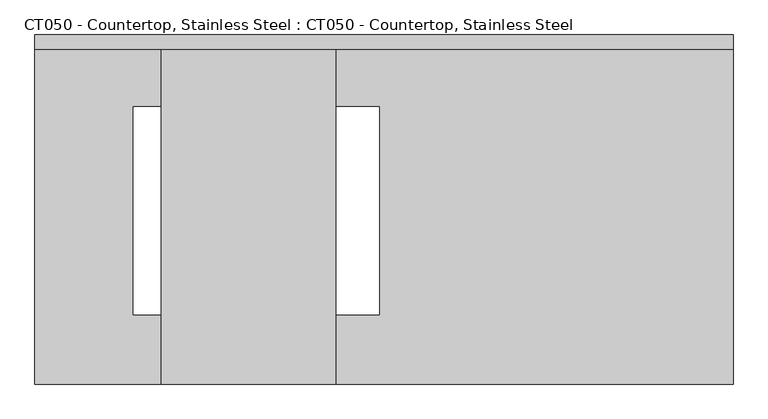
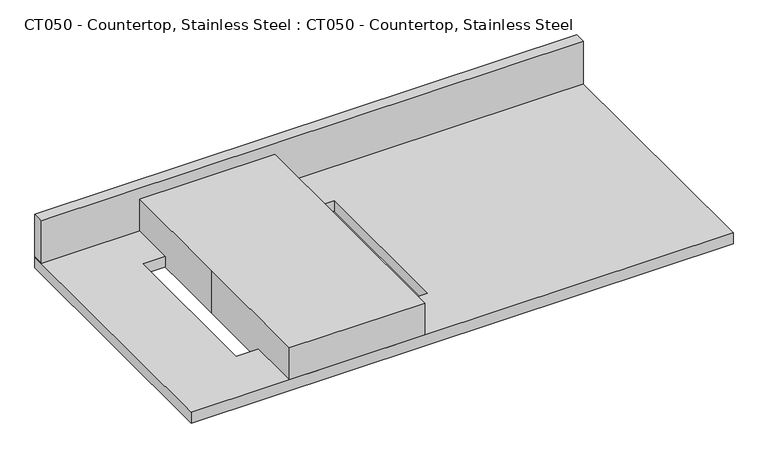
"""IFC4 building model written with IfcOpenShell, lengths in millimetres: proxy geometry, CT050 - Countertop, Stainless Steel : CT050 - Countertop, Stainless Steel."""

from ifc_helpers import new_model, si_unit, frame, origin, origin_with_axes, place, context, project, spatial, polyline, outline, extrude, source, transform, mapped, element, save


def ct050_countertop_stainless_steel_ct050_countertop_stainless_5a463ab0(model_context):
    return source(origin(), model_context, "Body", "SweptSolid", [
        extrude(outline(polyline([(846.0033198, 304.8), (846.0033198, -304.8), (-373.1966802, -304.8), (-373.1966802, 304.8), (846.0033198, 304.8)]), holes=[polyline([(227.9745929, 179.3875), (-201.7466803, 179.3875), (-201.7466803, -183.8773496), (227.9745929, -183.8773496), (227.9745929, 179.3875)])]), origin_with_axes(), (0.0, 0.0, 1.0), 25.4),
        extrude(outline(polyline([(-373.1966802, 279.4), (-373.1966802, 304.8), (846.0033198, 304.8), (846.0033198, 279.4), (-373.1966802, 279.4)])), frame((0.0, 0.0, 25.4), z_axis=(0.0, 0.0, 1.0), x_axis=(1.0, 0.0, 0.0)), (0.0, 0.0, 1.0), 101.6),
        extrude(outline(polyline([(-152.4, 304.8), (152.4, 304.8), (152.4, -304.8), (-152.4, -304.8), (-152.4, 0.0), (-152.4, 304.8)])), origin_with_axes(), (0.0, 0.0, 1.0), 101.6),
    ])


if __name__ == "__main__":
    model = new_model("IFC4")
    model_context = context("Model", 3, world=origin())
    ifc_project = project(units=[si_unit("LENGTHUNIT", "METRE", prefix="MILLI")], contexts=[model_context])
    site = spatial("IfcSite", under=ifc_project)
    building = spatial("IfcBuilding", under=site)
    placement = place(None, origin())
    ct050_countertop_stainless_steel_ct050_countertop_stainless_shape = ct050_countertop_stainless_steel_ct050_countertop_stainless_5a463ab0(model_context)
    element("IfcBuildingElementProxy", 1, Name="CT050 - Countertop, Stainless Steel : CT050 - Countertop, Stainless Steel", ObjectType="CT050 - Countertop, Stainless Steel : CT050 - Countertop, Stainless Steel", at=placement, inside=building, context=model_context, shape_type="MappedRepresentation", body=[
        mapped(ct050_countertop_stainless_steel_ct050_countertop_stainless_shape, transform((0.0, 0.0, 0.0), x_axis=(1.0, 0.0, 0.0), y_axis=(0.0, 1.0, 0.0), z_axis=(0.0, 0.0, 1.0))),
    ])
    save(model, "model.ifc")
